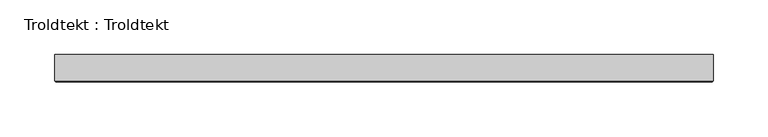
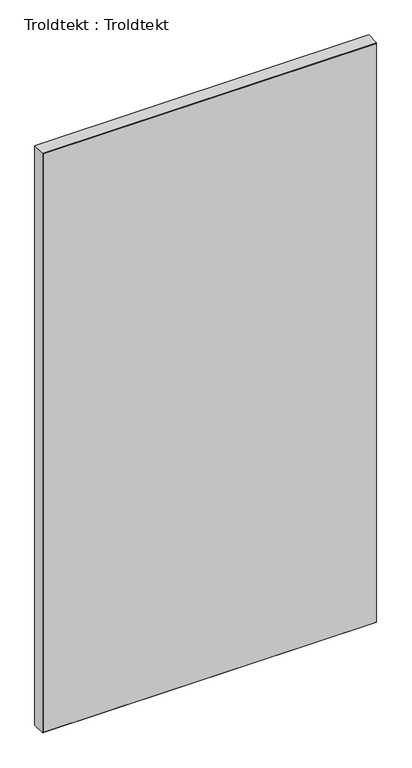
"""IFC4 building model written with IfcOpenShell, lengths in millimetres: proxy geometry, Troldtekt : Troldtekt."""

from ifc_helpers import new_model, si_unit, origin, place, context, project, spatial, faceted_brep, source, transform, mapped, element, save


def troldtekt_troldtekt_82f9fb3f(model_context):
    return source(origin(), model_context, "Body", "Brep", [
        faceted_brep([(-300.0, 12.5, 1099.9999997), (-300.0, -11.495044, 1099.9999997), (300.0, -11.495044, 1099.9999997), (300.0, 12.5, 1099.9999997), (300.0, 12.5, 0.0), (300.0, -11.495044, 0.0), (-300.0, -11.495044, 0.0), (-300.0, 12.5, 0.0), (-298.995044, -12.5, 1.004956), (298.995044, -12.5, 1.004956), (298.995044, -12.5, 1098.9950437), (-298.995044, -12.5, 1098.9950437)], [[[0, 1, 2, 3]], [[4, 5, 6, 7]], [[8, 9, 10, 11]], [[7, 6, 1, 0]], [[3, 4, 7, 0]], [[3, 2, 5, 4]], [[8, 11, 1, 6]], [[6, 5, 9, 8]], [[5, 2, 10, 9]], [[2, 1, 11, 10]]]),
    ])


if __name__ == "__main__":
    model = new_model("IFC4")
    model_context = context("Model", 3, world=origin())
    ifc_project = project(units=[si_unit("LENGTHUNIT", "METRE", prefix="MILLI")], contexts=[model_context])
    site = spatial("IfcSite", under=ifc_project)
    building = spatial("IfcBuilding", under=site)
    placement = place(None, origin())
    troldtekt_troldtekt_shape = troldtekt_troldtekt_82f9fb3f(model_context)
    element("IfcBuildingElementProxy", 1, Name="Troldtekt : Troldtekt", ObjectType="Troldtekt : Troldtekt", at=placement, inside=building, context=model_context, shape_type="MappedRepresentation", body=[
        mapped(troldtekt_troldtekt_shape, transform((0.0, 0.0, 0.0), x_axis=(1.0, 0.0, 0.0), y_axis=(0.0, 1.0, 0.0), z_axis=(0.0, 0.0, 1.0))),
    ])
    save(model, "model.ifc")
